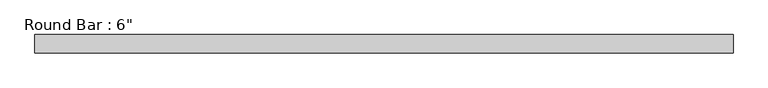
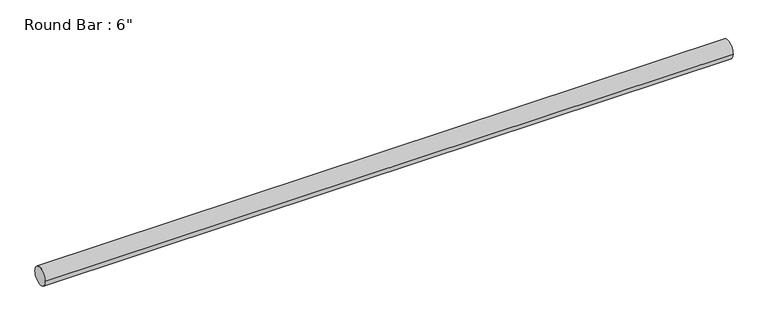
"""IFC4 building model written with IfcOpenShell, lengths in millimetres: beam geometry."""

import ifcopenshell
import ifcopenshell.guid

model = None  # the IFC model being written
_history = None  # IfcOwnerHistory: only IFC2X3 demands one
_inside = {}  # id of a spatial element -> (the spatial element, [elements in it])
_under = {}  # id of a project, library or spatial element -> (it, [spatial elements below it])
_declared = {}  # id of a project -> (the project, [libraries it declares])
_typed = {}  # id of a type object -> (the type object, [elements of that type])
_made_of = {}  # id of a material, layer set ... -> (it, [elements and type objects made of it])


def new_model(schema):
    """Start an empty IFC model of exactly this schema.

    Asked for "IFC4X3", IfcOpenShell would pick the latest addendum, in which some entities
    have other attributes; the version numbers below select the first issue.
    IFC2X3 requires an IfcOwnerHistory on every rooted entity: one is made here for all.
    """
    global model, _history
    if schema == "IFC4X3":
        model = ifcopenshell.file(schema_version=(4, 3, 0, 0))
    else:
        model = ifcopenshell.file(schema=schema)
    _inside.clear()
    _under.clear()
    _declared.clear()
    _typed.clear()
    _made_of.clear()
    _history = None
    if model.schema == "IFC2X3":
        org = make("IfcOrganization", Name="unknown")
        user = make(
            "IfcPersonAndOrganization",
            ThePerson=make("IfcPerson", FamilyName="unknown"),
            TheOrganization=org,
        )
        app = make(
            "IfcApplication",
            ApplicationDeveloper=org,
            Version="unknown",
            ApplicationFullName="unknown",
            ApplicationIdentifier="unknown",
        )
        _history = make(
            "IfcOwnerHistory",
            OwningUser=user,
            OwningApplication=app,
            ChangeAction="ADDED",
            CreationDate=0,
        )
    return model


def make(cls, **values):
    """One entity of the class cls with the attributes given. An attribute that is None is left unset."""
    return model.create_entity(
        cls, **{name: value for name, value in values.items() if value is not None}
    )


def rooted(cls, **values):
    """An entity with a GlobalId (a new one), such as an element, a storey or a relation."""
    return make(cls, GlobalId=ifcopenshell.guid.new(), OwnerHistory=_history, **values)


def si_unit(unit_type, name, prefix=None):
    """IfcSIUnit, for example si_unit("LENGTHUNIT", "METRE", prefix="MILLI")."""
    return make("IfcSIUnit", UnitType=unit_type, Prefix=prefix, Name=name)


def assignment(units):
    """IfcUnitAssignment: the units of a project."""
    return None if units is None else make("IfcUnitAssignment", Units=units)


def point(xyz):
    """IfcCartesianPoint."""
    return None if xyz is None else make("IfcCartesianPoint", Coordinates=xyz)


def direction(xyz):
    """IfcDirection."""
    return None if xyz is None else make("IfcDirection", DirectionRatios=xyz)


def frame(location, z_axis=None, x_axis=None):
    """IfcAxis2Placement3D, a coordinate frame: its origin and axes. An axis left out is left unset."""
    return make(
        "IfcAxis2Placement3D",
        Location=point(location),
        Axis=direction(z_axis),
        RefDirection=direction(x_axis),
    )


def frame_2d(location, x_axis=None):
    """IfcAxis2Placement2D, a coordinate frame in the plane: its origin and x axis."""
    return make(
        "IfcAxis2Placement2D", Location=point(location), RefDirection=direction(x_axis)
    )


def origin():
    """The frame at (0, 0, 0) with its axes left unset."""
    return frame((0.0, 0.0, 0.0))


def origin_2d():
    """The frame at (0, 0) in the plane with its x axis left unset."""
    return frame_2d((0.0, 0.0))


def place(relative_to, where):
    """IfcLocalPlacement: puts the frame where relative to a parent placement (None: the world)."""
    return make(
        "IfcLocalPlacement", PlacementRelTo=relative_to, RelativePlacement=where
    )


def context(
    kind, dimensions, precision=None, world=None, true_north=None, identifier=None
):
    """IfcGeometricRepresentationContext, for example the 3D "Model" context."""
    return make(
        "IfcGeometricRepresentationContext",
        ContextIdentifier=identifier,
        ContextType=kind,
        CoordinateSpaceDimension=dimensions,
        Precision=precision,
        WorldCoordinateSystem=world,
        TrueNorth=true_north,
    )


def project(units=None, contexts=None):
    """IfcProject with its units and contexts."""
    return rooted(
        "IfcProject",
        Name="project",
        RepresentationContexts=contexts,
        UnitsInContext=assignment(units),
    )


def spatial(cls, under=None, at=None, **own):
    """A site, building, storey or space (cls), placed at a placement, below another one or the project."""
    s = rooted(cls, ObjectPlacement=at, **own)
    if under is not None:
        _under.setdefault(under.id(), (under, []))[1].append(s)
    return s


def circle_curve(where, radius):
    """IfcCircle in the frame where."""
    return make("IfcCircle", Position=where, Radius=radius)


def trimmed(basis, trim1, trim2, sense, master):
    """IfcTrimmedCurve: the piece of a basis curve between two trims."""
    return make(
        "IfcTrimmedCurve",
        BasisCurve=basis,
        Trim1=trim1,
        Trim2=trim2,
        SenseAgreement=sense,
        MasterRepresentation=master,
    )


def segment(curve, same_sense, transition):
    """IfcCompositeCurveSegment."""
    return make(
        "IfcCompositeCurveSegment",
        Transition=transition,
        SameSense=same_sense,
        ParentCurve=curve,
    )


def composite_curve(segments, self_intersect=None):
    """IfcCompositeCurve: segments joined end to end."""
    return make("IfcCompositeCurve", Segments=segments, SelfIntersect=self_intersect)


def outline(outer, holes=None, kind="AREA"):
    """IfcArbitraryClosedProfileDef: a profile drawn as a closed curve; with holes, ...WithVoids."""
    if holes is None:
        return make("IfcArbitraryClosedProfileDef", ProfileType=kind, OuterCurve=outer)
    return make(
        "IfcArbitraryProfileDefWithVoids",
        ProfileType=kind,
        OuterCurve=outer,
        InnerCurves=holes,
    )


def extrude(swept, where, along, depth):
    """IfcExtrudedAreaSolid: the profile swept, set in the frame where, extruded along a direction by depth."""
    return make(
        "IfcExtrudedAreaSolid",
        SweptArea=swept,
        Position=where,
        ExtrudedDirection=direction(along),
        Depth=depth,
    )


def shape(context_of_items, identifier, shape_type, items):
    """IfcShapeRepresentation: the items that make up one representation, for example the "Body"."""
    return make(
        "IfcShapeRepresentation",
        ContextOfItems=context_of_items,
        RepresentationIdentifier=identifier,
        RepresentationType=shape_type,
        Items=items,
    )


def source(mapping_origin, context_of_items, identifier, shape_type, items):
    """IfcRepresentationMap: a shape defined once, which mapped items show again and again."""
    return make(
        "IfcRepresentationMap",
        MappingOrigin=mapping_origin,
        MappedRepresentation=shape(context_of_items, identifier, shape_type, items),
    )


def transform(
    local_origin,
    x_axis=None,
    y_axis=None,
    z_axis=None,
    scale=None,
    scale2=None,
    scale3=None,
    uniform=True,
):
    """IfcCartesianTransformationOperator3D, or its non-uniform kind. x_axis, y_axis, z_axis: its Axis1, 2, 3."""
    if uniform:
        return make(
            "IfcCartesianTransformationOperator3D",
            Axis1=direction(x_axis),
            Axis2=direction(y_axis),
            LocalOrigin=point(local_origin),
            Scale=scale,
            Axis3=direction(z_axis),
        )
    return make(
        "IfcCartesianTransformationOperator3DnonUniform",
        Axis1=direction(x_axis),
        Axis2=direction(y_axis),
        LocalOrigin=point(local_origin),
        Scale=scale,
        Axis3=direction(z_axis),
        Scale2=scale2,
        Scale3=scale3,
    )


def mapped(mapping_source, mapping_target):
    """IfcMappedItem: shows the shape of a source again, moved by a transform."""
    return make(
        "IfcMappedItem", MappingSource=mapping_source, MappingTarget=mapping_target
    )


def made_of(thing, what):
    """Note that an element or type object is made of a material, layer set ...; save() writes the relation."""
    if what is not None:
        _made_of.setdefault(what.id(), (what, []))[1].append(thing)
    return thing


def element(
    cls,
    number,
    at=None,
    inside=None,
    cuts=None,
    type_object=None,
    material=None,
    context=None,
    identifier="Body",
    shape_type=None,
    held_by="IfcProductDefinitionShape",
    body=None,
    shapes=None,
    **own,
):
    """One element of the class cls, such as IfcWall. Its Tag is "e" and its number.

    at: its placement. inside: the storey or other place that contains it. cuts: it is an
    opening in that element (IfcRelVoidsElement). A single representation is given by context,
    identifier, shape_type and body (its items); several are given by shapes. held_by: the class
    of the entity that holds the representations. save() writes the other relations.
    """
    e = rooted(cls, Tag="e%d" % number, ObjectPlacement=at, **own)
    if body is not None:
        shapes = [shape(context, identifier, shape_type, body)]
    if shapes is not None:
        e.Representation = make(held_by, Representations=shapes)
    if inside is not None:
        _inside.setdefault(inside.id(), (inside, []))[1].append(e)
    if cuts is not None:
        rooted(
            "IfcRelVoidsElement", RelatingBuildingElement=cuts, RelatedOpeningElement=e
        )
    if type_object is not None:
        _typed.setdefault(type_object.id(), (type_object, []))[1].append(e)
    return made_of(e, material)


def aggregate(whole, parts):
    """IfcRelAggregates: a whole, such as a stair, and the parts it consists of."""
    return rooted("IfcRelAggregates", RelatingObject=whole, RelatedObjects=parts)


def save(model, path):
    """Write the relations noted so far, then the file.

    IfcRelAggregates (storeys below a building ...), IfcRelContainedInSpatialStructure (elements
    in a storey), IfcRelDefinesByType, IfcRelAssociatesMaterial and IfcRelDeclares: one each for
    every whole, place, type object, material and project.
    """
    for whole, parts in _under.values():
        aggregate(whole, parts)
    for where, things in _inside.values():
        rooted(
            "IfcRelContainedInSpatialStructure",
            RelatedElements=things,
            RelatingStructure=where,
        )
    for kind, things in _typed.values():
        rooted("IfcRelDefinesByType", RelatedObjects=things, RelatingType=kind)
    for what, things in _made_of.values():
        rooted("IfcRelAssociatesMaterial", RelatedObjects=things, RelatingMaterial=what)
    for by, libraries in _declared.values():
        rooted("IfcRelDeclares", RelatingContext=by, RelatedDefinitions=libraries)
    model.write(path)


def beam_3deb18bb(model_context):
    return source(origin(), model_context, "Body", "SweptSolid", [
        extrude(outline(composite_curve([segment(trimmed(circle_curve(origin_2d(), 76.2), [point((-76.2, 0.0))], [point((76.2, 0.0))], False, "CARTESIAN"), True, "CONTINUOUS"), segment(trimmed(circle_curve(origin_2d(), 76.2), [point((76.2, 0.0))], [point((-76.2, 0.0))], False, "CARTESIAN"), True, "CONTINUOUS")], self_intersect=False)), frame((-2871.162668, 0.0, 0.0), z_axis=(1.0, 0.0, 0.0), x_axis=(0.0, 1.0, 0.0)), (0.0, 0.0, 1.0), 5742.325336),
    ])


if __name__ == "__main__":
    model = new_model("IFC4")
    model_context = context("Model", 3, world=origin())
    ifc_project = project(units=[si_unit("LENGTHUNIT", "METRE", prefix="MILLI")], contexts=[model_context])
    site = spatial("IfcSite", under=ifc_project)
    building = spatial("IfcBuilding", under=site)
    placement = place(None, origin())
    beam_shape = beam_3deb18bb(model_context)
    element("IfcBeam", 1, ObjectType="Round Bar : 6\"", at=placement, inside=building, context=model_context, shape_type="MappedRepresentation", body=[
        mapped(beam_shape, transform((0.0, 0.0, 0.0), x_axis=(1.0, 0.0, 0.0), y_axis=(0.0, 1.0, 0.0), z_axis=(0.0, 0.0, 1.0))),
    ])
    save(model, "model.ifc")
